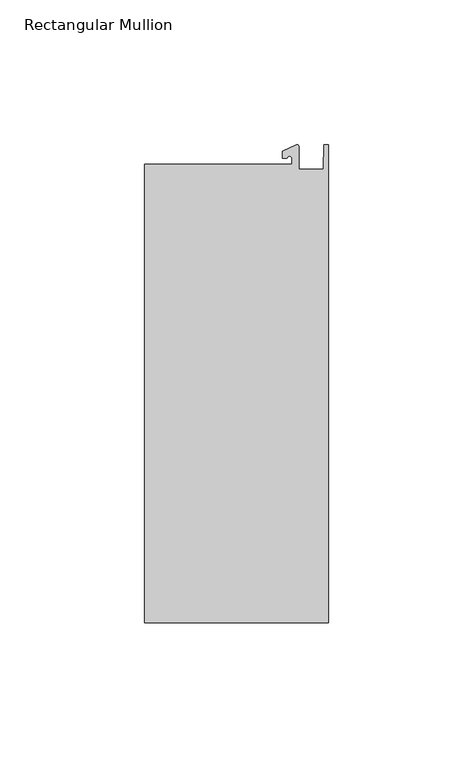
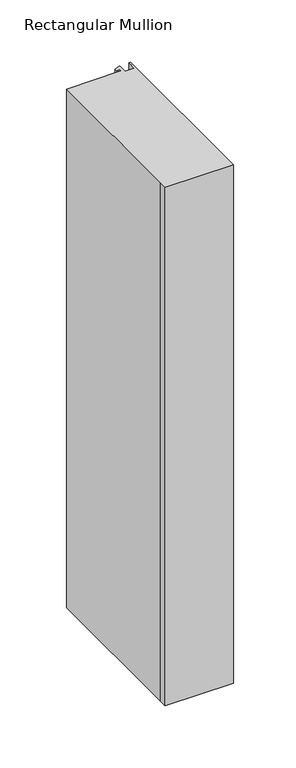
"""IFC4 building model written with IfcOpenShell, lengths in millimetres: member geometry, Rectangular Mullion."""

from ifc_helpers import new_model, si_unit, point, frame, frame_2d, origin, place, context, project, spatial, polyline, circle_curve, trimmed, segment, composite_curve, outline, extrude, source, transform, mapped, element, save


def rectangular_mullion_431d1c43(model_context):
    return source(origin(), model_context, "Body", "SweptSolid", [
        extrude(outline(composite_curve([segment(polyline([(-12.6173814, 25.5984375), (-12.6173814, 27.6780632)]), True, "CONTINUOUS"), segment(trimmed(circle_curve(frame_2d((-13.4111314, 27.6780632)), 0.79375), [point((-12.6173814, 27.6780632))], [point((-14.2048814, 27.6780632))], True, "CARTESIAN"), True, "CONTINUOUS"), segment(polyline([(-14.2048814, 27.6780632), (-15.7923814, 27.6780632), (-15.7923814, 30.0402625), (-10.9524715, 32.2971496)]), True, "CONTINUOUS"), segment(trimmed(circle_curve(frame_2d((-10.7377814, 31.8367452)), 0.508), [point((-10.9524715, 32.2971496))], [point((-10.2297814, 31.8367452))], False, "CARTESIAN"), True, "CONTINUOUS"), segment(polyline([(-10.2297814, 31.8367452), (-10.2297814, 23.9227662), (-1.7144124, 23.9227662), (-1.5658966, 32.288874), (0.0, 32.288874), (0.0, -132.822512), (-63.5, -132.822512), (-63.5, -125.075512), (-63.5, 25.5984375), (-12.6173814, 25.5984375)]), True, "CONTINUOUS")], self_intersect=False)), frame((0.0, 0.0, -508.0), z_axis=(0.0, 0.0, 1.0), x_axis=(1.0, 0.0, 0.0)), (0.0, 0.0, 1.0), 508.0),
    ])


if __name__ == "__main__":
    model = new_model("IFC4")
    model_context = context("Model", 3, world=origin())
    ifc_project = project(units=[si_unit("LENGTHUNIT", "METRE", prefix="MILLI")], contexts=[model_context])
    site = spatial("IfcSite", under=ifc_project)
    building = spatial("IfcBuilding", under=site)
    placement = place(None, origin())
    rectangular_mullion_shape = rectangular_mullion_431d1c43(model_context)
    element("IfcMember", 1, ObjectType="Rectangular Mullion", at=placement, inside=building, context=model_context, shape_type="MappedRepresentation", body=[
        mapped(rectangular_mullion_shape, transform((0.0, 0.0, 0.0), x_axis=(1.0, 0.0, 0.0), y_axis=(0.0, 1.0, 0.0), z_axis=(0.0, 0.0, 1.0))),
    ])
    save(model, "model.ifc")
